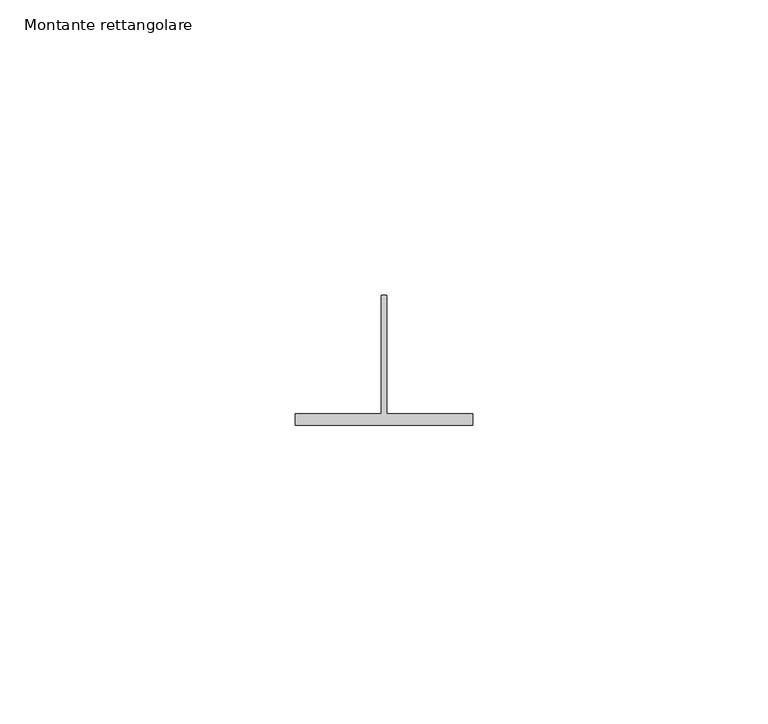
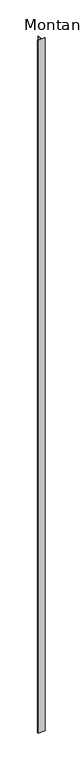
"""IFC4 building model written with IfcOpenShell, lengths in millimetres: member geometry, Montante rettangolare."""

from ifc_helpers import new_model, si_unit, frame, origin, place, context, project, spatial, polyline, outline, extrude, source, transform, mapped, element, save


def montante_rettangolare_c34e2f7b(model_context):
    return source(origin(), model_context, "Body", "SweptSolid", [
        extrude(outline(polyline([(15.0, -29.5), (-15.0, -29.5), (-15.0, -27.5), (-0.5, -27.5), (-0.5, -7.5), (0.5, -7.5), (0.5, -27.5), (15.0, -27.5), (15.0, -29.5)])), frame((0.0, 0.0, -3000.0), z_axis=(0.0, 0.0, 1.0), x_axis=(1.0, 0.0, 0.0)), (0.0, 0.0, 1.0), 3000.0),
    ])


if __name__ == "__main__":
    model = new_model("IFC4")
    model_context = context("Model", 3, world=origin())
    ifc_project = project(units=[si_unit("LENGTHUNIT", "METRE", prefix="MILLI")], contexts=[model_context])
    site = spatial("IfcSite", under=ifc_project)
    building = spatial("IfcBuilding", under=site)
    placement = place(None, origin())
    montante_rettangolare_shape = montante_rettangolare_c34e2f7b(model_context)
    element("IfcMember", 1, ObjectType="Montante rettangolare", at=placement, inside=building, context=model_context, shape_type="MappedRepresentation", body=[
        mapped(montante_rettangolare_shape, transform((0.0, 0.0, 0.0), x_axis=(1.0, 0.0, 0.0), y_axis=(0.0, 1.0, 0.0), z_axis=(0.0, 0.0, 1.0))),
    ])
    save(model, "model.ifc")
